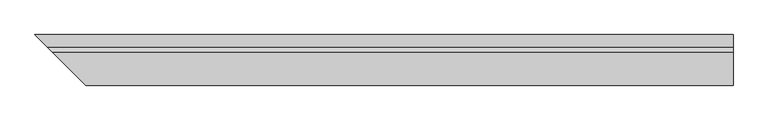
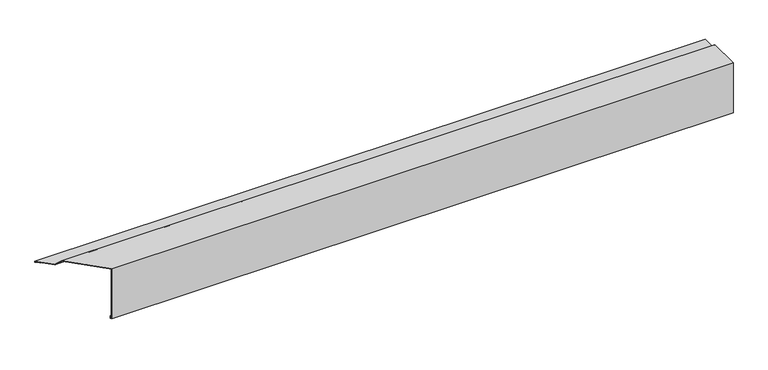
"""IFC4 building model written with IfcOpenShell, lengths in millimetres: proxy geometry."""

from ifc_helpers import new_model, si_unit, origin, place, context, project, spatial, faceted_brep, source, transform, mapped, element, save


def generic_models_f812785e(model_context):
    return source(origin(), model_context, "Body", "Brep", [
        faceted_brep([(2.0, -2.0, -150.0), (1999.9436463, -2.0, -150.0), (1999.9436463, -5.0, -150.0), (5.0, -5.0, -150.0), (4.0, -4.0, -149.0), (1999.9436463, -4.0, -149.0), (1999.9436463, -3.0, -149.0), (3.0, -3.0, -149.0), (1999.9436463, -3.0, -140.0), (3.0, -3.0, -140.0), (1999.9436463, -2.0, -140.0), (2.0, -2.0, -140.0), (5.0, -5.0, 20.0), (1999.9436463, -5.0, 20.0), (1999.9436463, 0.0, 20.0), (1999.9436463, 96.0, 20.0), (-96.0, 96.0, 20.0), (0.0, 0.0, 20.0), (1999.9436463, 111.0, 5.0), (-111.0, 111.0, 5.0), (1999.9436463, 151.0, 5.0), (-151.0, 151.0, 5.0), (1999.9436463, 151.0, 2.0), (-151.0, 151.0, 2.0), (1999.9436463, 141.0, 2.0), (-141.0, 141.0, 2.0), (1999.9436463, 141.0, 3.0), (-141.0, 141.0, 3.0), (1999.9436463, 150.0, 3.0), (-150.0, 150.0, 3.0), (1999.9436463, 150.0, 4.0), (-150.0, 150.0, 4.0), (1999.9436463, 110.5857864, 4.0), (-110.5857864, 110.5857864, 4.0), (1999.9436463, 95.5857864, 19.0), (-95.5857864, 95.5857864, 19.0), (0.0, 0.0, 19.0), (1999.9436463, 0.0, 19.0), (1999.9436463, -4.0, 19.0), (4.0, -4.0, 19.0)], [[[0, 1, 2, 3]], [[4, 5, 6, 7]], [[7, 6, 8, 9]], [[9, 8, 10, 11]], [[11, 10, 1, 0]], [[12, 13, 14, 15, 16, 17]], [[16, 15, 18, 19]], [[19, 18, 20, 21]], [[21, 20, 22, 23]], [[23, 22, 24, 25]], [[25, 24, 26, 27]], [[27, 26, 28, 29]], [[29, 28, 30, 31]], [[31, 30, 32, 33]], [[33, 32, 34, 35]], [[36, 35, 34, 37, 38, 39]], [[39, 38, 5, 4]], [[3, 2, 13, 12]], [[36, 39, 4, 7, 9, 11, 0, 3, 12, 17]], [[17, 16, 19, 21, 23, 25, 27, 29, 31, 33, 35, 36]], [[14, 13, 2, 1, 10, 8, 6, 5, 38, 37]], [[37, 34, 32, 30, 28, 26, 24, 22, 20, 18, 15, 14]]]),
    ])


if __name__ == "__main__":
    model = new_model("IFC4")
    model_context = context("Model", 3, world=origin())
    ifc_project = project(units=[si_unit("LENGTHUNIT", "METRE", prefix="MILLI")], contexts=[model_context])
    site = spatial("IfcSite", under=ifc_project)
    building = spatial("IfcBuilding", under=site)
    placement = place(None, origin())
    generic_models_shape = generic_models_f812785e(model_context)
    element("IfcBuildingElementProxy", 1, Name="Generic Models", at=placement, inside=building, context=model_context, shape_type="MappedRepresentation", body=[
        mapped(generic_models_shape, transform((0.0, 0.0, 0.0), x_axis=(1.0, 0.0, 0.0), y_axis=(0.0, 1.0, 0.0), z_axis=(0.0, 0.0, 1.0))),
    ])
    save(model, "model.ifc")
